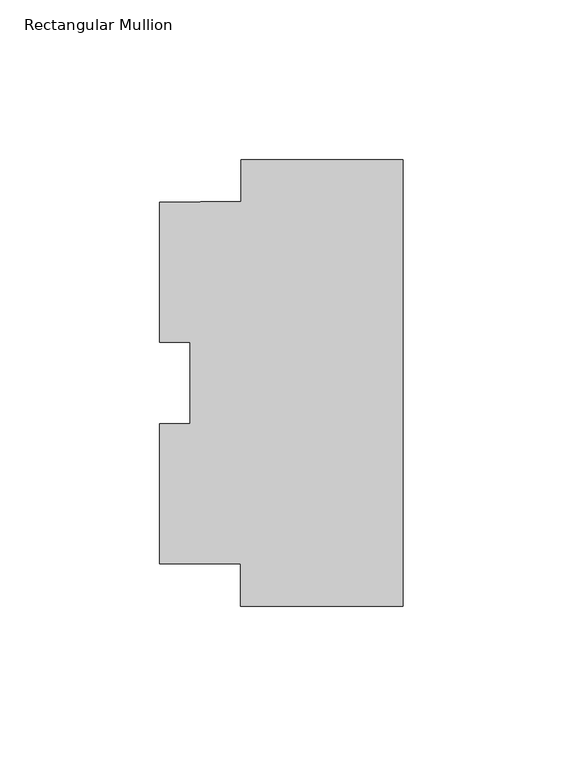
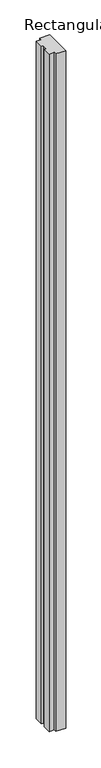
"""IFC4 building model written with IfcOpenShell, lengths in millimetres: member geometry, Rectangular Mullion."""

from ifc_helpers import new_model, si_unit, frame, origin, place, context, project, spatial, polyline, outline, extrude, source, transform, mapped, element, save


def rectangular_mullion_00b634b2(model_context):
    return source(origin(), model_context, "Body", "SweptSolid", [
        extrude(outline(polyline([(-50.7746, 69.7962024), (0.0, 69.7962024), (0.0, -69.9049299), (-50.8, -69.9049299), (-50.8, -56.5721838), (-76.2, -56.5721838), (-76.2, -12.7868499), (-66.675, -12.7868499), (-66.675, 12.7008485), (-76.2, 12.7008485), (-76.2, 56.5200462), (-50.7746, 56.8548847), (-50.7746, 69.7962024)])), frame((0.0, 0.0, -3657.6), z_axis=(0.0, 0.0, 1.0), x_axis=(1.0, 0.0, 0.0)), (0.0, 0.0, 1.0), 3657.6),
    ])


if __name__ == "__main__":
    model = new_model("IFC4")
    model_context = context("Model", 3, world=origin())
    ifc_project = project(units=[si_unit("LENGTHUNIT", "METRE", prefix="MILLI")], contexts=[model_context])
    site = spatial("IfcSite", under=ifc_project)
    building = spatial("IfcBuilding", under=site)
    placement = place(None, origin())
    rectangular_mullion_shape = rectangular_mullion_00b634b2(model_context)
    element("IfcMember", 1, ObjectType="Rectangular Mullion", at=placement, inside=building, context=model_context, shape_type="MappedRepresentation", body=[
        mapped(rectangular_mullion_shape, transform((0.0, 0.0, 0.0), x_axis=(1.0, 0.0, 0.0), y_axis=(0.0, 1.0, 0.0), z_axis=(0.0, 0.0, 1.0))),
    ])
    save(model, "model.ifc")
